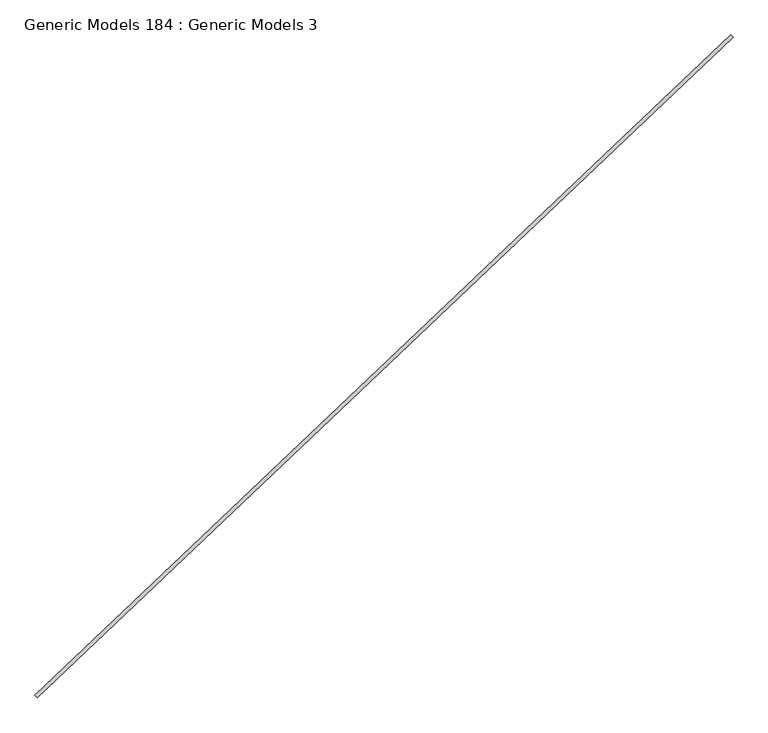
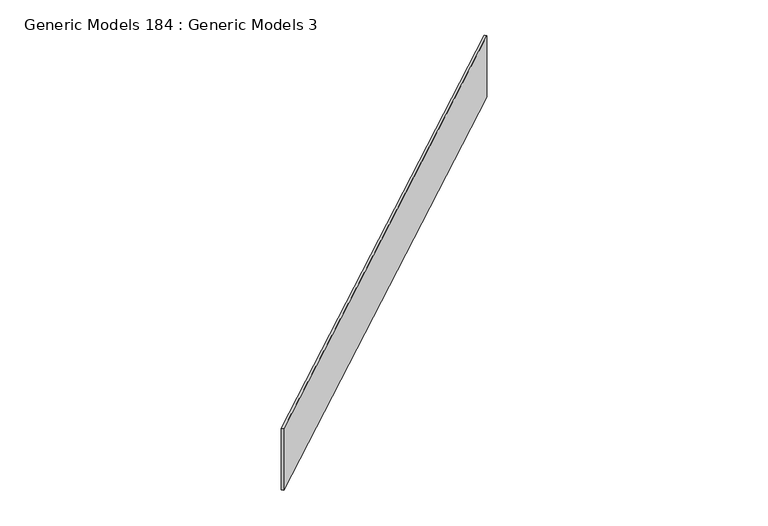
"""IFC4 building model written with IfcOpenShell, lengths in millimetres: proxy geometry, Generic Models 184 : Generic Models 3."""

from ifc_helpers import new_model, si_unit, frame, origin, place, context, project, spatial, polyline, outline, extrude, source, transform, mapped, element, save


def generic_models_184_generic_models_3_f6cb054d(model_context):
    return source(origin(), model_context, "Body", "SweptSolid", [
        extrude(outline(polyline([(105119.5856077, 58236.5506687), (105130.5132366, 58225.0353506), (101844.0414395, 55106.2900656), (101833.1138106, 55117.8053837), (105119.5856077, 58236.5506687)])), frame((0.0, 0.0, 17845.1400321), z_axis=(0.0, 0.0, 1.0), x_axis=(1.0, 0.0, 0.0)), (0.0, 0.0, 1.0), 474.0692023),
    ])


if __name__ == "__main__":
    model = new_model("IFC4")
    model_context = context("Model", 3, world=origin())
    ifc_project = project(units=[si_unit("LENGTHUNIT", "METRE", prefix="MILLI")], contexts=[model_context])
    site = spatial("IfcSite", under=ifc_project)
    building = spatial("IfcBuilding", under=site)
    placement = place(None, origin())
    generic_models_184_generic_models_3_shape = generic_models_184_generic_models_3_f6cb054d(model_context)
    element("IfcBuildingElementProxy", 1, Name="Generic Models 184 : Generic Models 3", ObjectType="Generic Models 184 : Generic Models 3", at=placement, inside=building, context=model_context, shape_type="MappedRepresentation", body=[
        mapped(generic_models_184_generic_models_3_shape, transform((0.0, 0.0, 0.0), x_axis=(1.0, 0.0, 0.0), y_axis=(0.0, 1.0, 0.0), z_axis=(0.0, 0.0, 1.0))),
    ])
    save(model, "model.ifc")
